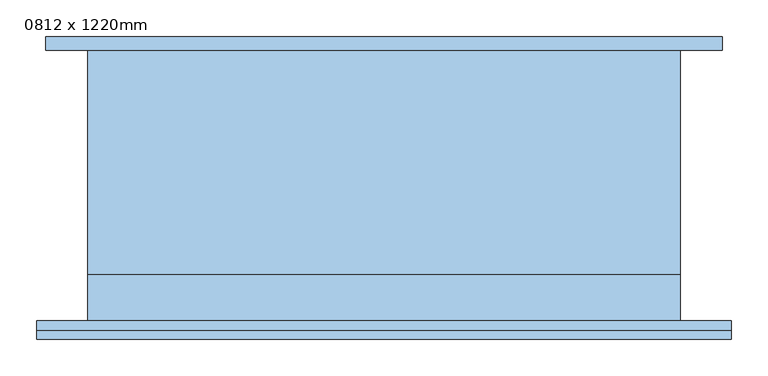
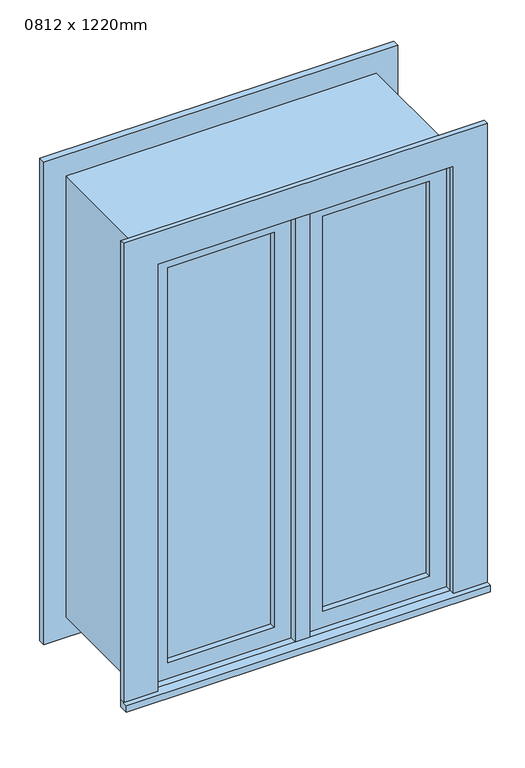
"""IFC4 building model written with IfcOpenShell, lengths in millimetres: window geometry, 0812 x 1220mm."""

from ifc_helpers import new_model, si_unit, frame, origin, place, context, project, spatial, polyline, outline, extrude, source, transform, mapped, element, save


def window_0812_x_1220mm_cd2539d0(model_context):
    return source(origin(), model_context, "Body", "SweptSolid", [
        extrude(outline(polyline([(63.5, -169.175), (63.5, -156.475), (342.5, -156.475), (342.5, -169.175), (63.5, -169.175)])), frame((0.0, 0.0, 978.5), z_axis=(0.0, 0.0, 1.0), x_axis=(1.0, 0.0, 0.0)), (0.0, 0.0, 1.0), 1093.0),
        extrude(outline(polyline([(2115.95, 19.05), (934.05, 19.05), (934.05, 386.95), (2115.95, 386.95), (2115.95, 19.05)]), holes=[polyline([(2071.5, 63.5), (2071.5, 342.5), (978.5, 342.5), (978.5, 63.5), (2071.5, 63.5)])]), frame((0.0, -185.05, 0.0), z_axis=(0.0, 1.0, 0.0), x_axis=(0.0, 0.0, 1.0)), (0.0, 0.0, 1.0), 44.45),
        extrude(outline(polyline([(-475.95, -229.75), (-475.95, -204.05), (475.95, -204.05), (475.95, -229.75), (-475.95, -229.75)])), frame((0.0, 0.0, 915.0), z_axis=(0.0, 0.0, 1.0), x_axis=(1.0, 0.0, 0.0)), (0.0, 0.0, 1.0), 19.05),
        extrude(outline(polyline([(2115.95, -386.95), (2115.95, 386.95), (934.05, 386.95), (934.05, 475.95), (2204.95, 475.95), (2204.95, -475.95), (934.05, -475.95), (934.05, -386.95), (2115.95, -386.95)])), frame((0.0, -217.05, 0.0), z_axis=(0.0, 1.0, 0.0), x_axis=(0.0, 0.0, 1.0)), (0.0, 0.0, 1.0), 13.0),
        extrude(outline(polyline([(2192.25, 463.25), (2192.25, -463.25), (857.75, -463.25), (857.75, 463.25), (2192.25, 463.25)]), holes=[polyline([(2103.25, 374.25), (946.75, 374.25), (946.75, -374.25), (2103.25, -374.25), (2103.25, 374.25)])]), frame((0.0, 165.95, 0.0), z_axis=(0.0, 1.0, 0.0), x_axis=(0.0, 0.0, 1.0)), (0.0, 0.0, 1.0), 19.0),
        extrude(outline(polyline([(-63.5, -156.475), (-63.5, -169.175), (-342.5, -169.175), (-342.5, -156.475), (-63.5, -156.475)])), frame((0.0, 0.0, 978.5), z_axis=(0.0, 0.0, 1.0), x_axis=(1.0, 0.0, 0.0)), (0.0, 0.0, 1.0), 1093.0),
        extrude(outline(polyline([(2115.95, -386.95), (934.05, -386.95), (934.05, -19.05), (2115.95, -19.05), (2115.95, -386.95)]), holes=[polyline([(2071.5, -342.5), (2071.5, -63.5), (978.5, -63.5), (978.5, -342.5), (2071.5, -342.5)])]), frame((0.0, -185.05, 0.0), z_axis=(0.0, 1.0, 0.0), x_axis=(0.0, 0.0, 1.0)), (0.0, 0.0, 1.0), 44.45),
        extrude(outline(polyline([(2135.0, -406.0), (915.0, -406.0), (915.0, 406.0), (2135.0, 406.0), (2135.0, -406.0)]), holes=[polyline([(2103.25, -374.25), (2103.25, 374.25), (946.75, 374.25), (946.75, -374.25), (2103.25, -374.25)])]), frame((0.0, -140.6, 0.0), z_axis=(0.0, 1.0, 0.0), x_axis=(0.0, 0.0, 1.0)), (0.0, 0.0, 1.0), 306.55),
        extrude(outline(polyline([(2135.0, 406.0), (2135.0, -406.0), (915.0, -406.0), (915.0, 406.0), (2135.0, 406.0)]), holes=[polyline([(2115.95, 386.95), (934.05, 386.95), (934.05, -386.95), (2115.95, -386.95), (2115.95, 386.95)])]), frame((0.0, -204.05, 0.0), z_axis=(0.0, 1.0, 0.0), x_axis=(0.0, 0.0, 1.0)), (0.0, 0.0, 1.0), 63.45),
        extrude(outline(polyline([(19.05, -140.6), (19.05, -204.1), (-19.05, -204.1), (-19.05, -140.6), (19.05, -140.6)])), frame((0.0, 0.0, 934.05), z_axis=(0.0, 0.0, 1.0), x_axis=(1.0, 0.0, 0.0)), (0.0, 0.0, 1.0), 1181.9),
    ])


if __name__ == "__main__":
    model = new_model("IFC4")
    model_context = context("Model", 3, world=origin())
    ifc_project = project(units=[si_unit("LENGTHUNIT", "METRE", prefix="MILLI")], contexts=[model_context])
    site = spatial("IfcSite", under=ifc_project)
    building = spatial("IfcBuilding", under=site)
    placement = place(None, origin())
    window_0812_x_1220mm_shape = window_0812_x_1220mm_cd2539d0(model_context)
    element("IfcWindow", 1, ObjectType="0812 x 1220mm", at=placement, inside=building, context=model_context, shape_type="MappedRepresentation", body=[
        mapped(window_0812_x_1220mm_shape, transform((0.0, 0.0, 0.0), x_axis=(1.0, 0.0, 0.0), y_axis=(0.0, 1.0, 0.0), z_axis=(0.0, 0.0, 1.0))),
    ])
    save(model, "model.ifc")
